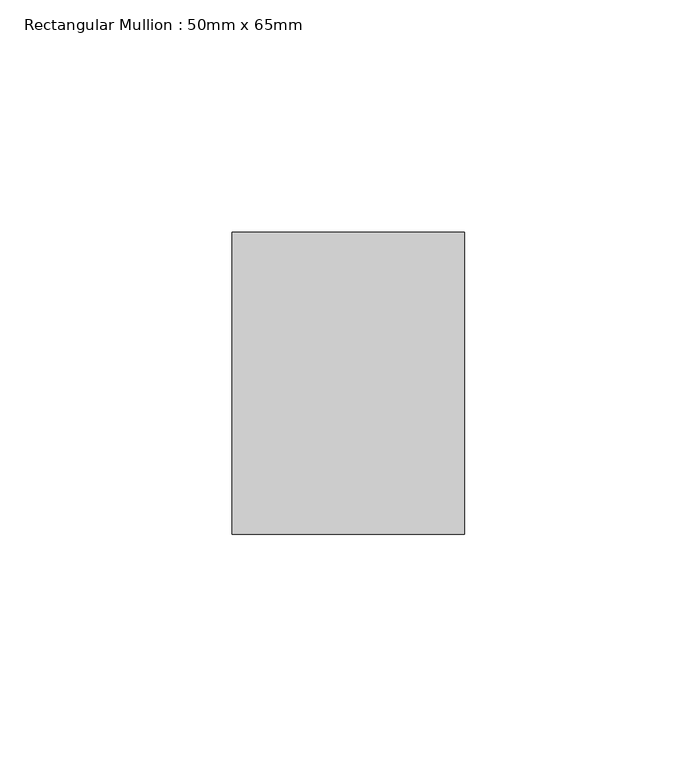
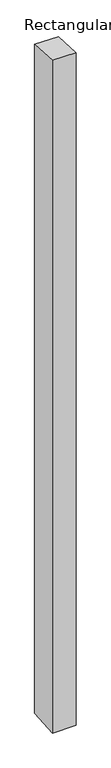
"""IFC4 building model written with IfcOpenShell, lengths in millimetres: member geometry, Rectangular Mullion : 50mm x 65mm."""

from ifc_helpers import new_model, si_unit, origin, place, context, project, spatial, faceted_brep, source, transform, mapped, element, save


def rectangular_mullion_50mm_x_65mm_db2d3065(model_context):
    return source(origin(), model_context, "Body", "Brep", [
        faceted_brep([(-25.0, 32.5, -1.8978655), (25.0, 32.5, -1.8978783), (25.0, 32.5, -1497.5681419), (-25.0, 32.5, -1497.5681584), (-25.0, -32.5, 1.8978783), (-25.0, -32.5, -1502.4320577), (25.0, -32.5, 1.8978655), (25.0, -32.5, -1502.4320412)], [[[0, 1, 2, 3]], [[4, 0, 3, 5]], [[6, 4, 5, 7]], [[1, 6, 7, 2]], [[1, 0, 4, 6]], [[2, 7, 5, 3]]]),
    ])


if __name__ == "__main__":
    model = new_model("IFC4")
    model_context = context("Model", 3, world=origin())
    ifc_project = project(units=[si_unit("LENGTHUNIT", "METRE", prefix="MILLI")], contexts=[model_context])
    site = spatial("IfcSite", under=ifc_project)
    building = spatial("IfcBuilding", under=site)
    placement = place(None, origin())
    rectangular_mullion_50mm_x_65mm_shape = rectangular_mullion_50mm_x_65mm_db2d3065(model_context)
    element("IfcMember", 1, ObjectType="Rectangular Mullion : 50mm x 65mm", at=placement, inside=building, context=model_context, shape_type="MappedRepresentation", body=[
        mapped(rectangular_mullion_50mm_x_65mm_shape, transform((0.0, 0.0, 0.0), x_axis=(1.0, 0.0, 0.0), y_axis=(0.0, 1.0, 0.0), z_axis=(0.0, 0.0, 1.0))),
    ])
    save(model, "model.ifc")
